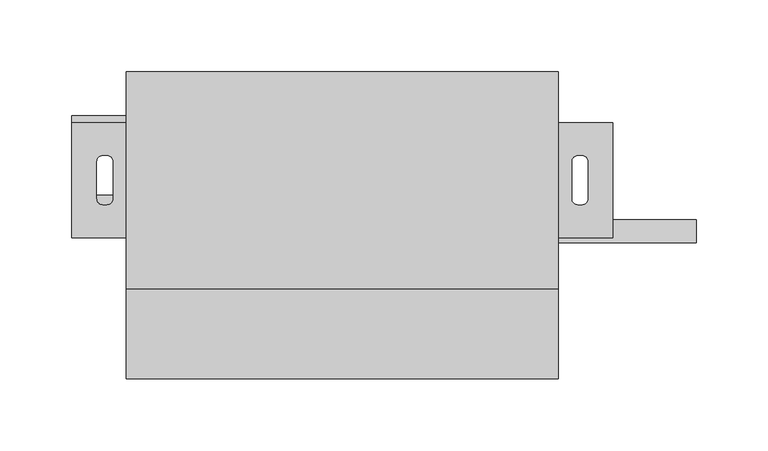
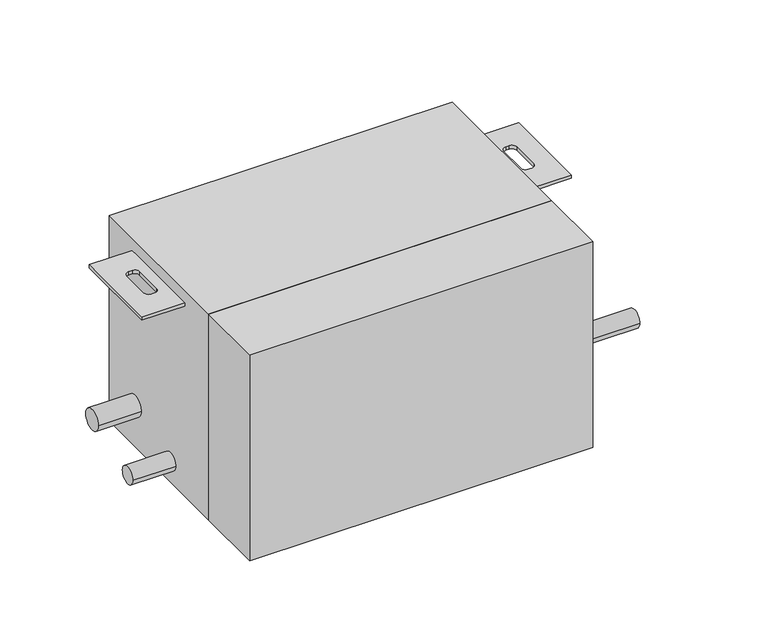
"""IFC4 building model written with IfcOpenShell, lengths in millimetres: proxy geometry."""

from ifc_helpers import new_model, si_unit, point, frame, frame_2d, origin, origin_with_axes, place, context, project, spatial, polyline, circle_curve, trimmed, segment, composite_curve, outline, extrude, source, transform, mapped, element, save


def mechanical_equipment_6e0e43d4(model_context):
    return source(origin(), model_context, "Body", "SweptSolid", [
        extrude(outline(polyline([(301.0, 75.5), (301.0, -75.5), (0.0, -75.5), (0.0, 75.5), (301.0, 75.5)])), origin_with_axes(), (0.0, 0.0, 1.0), 191.0),
        extrude(outline(polyline([(301.0, 40.0), (339.0, 40.0), (339.0, -40.0), (301.0, -40.0), (301.0, 40.0)]), holes=[composite_curve([segment(polyline([(317.5, 17.0), (314.5, 17.0)]), True, "CONTINUOUS"), segment(trimmed(circle_curve(frame_2d((314.5, 13.0)), 4.0), [point((314.5, 17.0))], [point((310.5, 13.0))], True, "CARTESIAN"), True, "CONTINUOUS"), segment(polyline([(310.5, 13.0), (310.5, -13.0)]), True, "CONTINUOUS"), segment(trimmed(circle_curve(frame_2d((314.5, -13.0)), 4.0), [point((310.5, -13.0))], [point((314.5, -17.0))], True, "CARTESIAN"), True, "CONTINUOUS"), segment(polyline([(314.5, -17.0), (317.5, -17.0)]), True, "CONTINUOUS"), segment(trimmed(circle_curve(frame_2d((317.5, -13.0)), 4.0), [point((317.5, -17.0))], [point((321.5, -13.0))], True, "CARTESIAN"), True, "CONTINUOUS"), segment(polyline([(321.5, -13.0), (321.5, 13.0)]), True, "CONTINUOUS"), segment(trimmed(circle_curve(frame_2d((317.5, 13.0)), 4.0), [point((321.5, 13.0))], [point((317.5, 17.0))], True, "CARTESIAN"), True, "CONTINUOUS")], self_intersect=False)]), frame((0.0, 0.0, 177.0), z_axis=(0.0, 0.0, 1.0), x_axis=(1.0, 0.0, 0.0)), (0.0, 0.0, 1.0), 3.0),
        extrude(outline(polyline([(-38.0, 40.0), (0.0, 40.0), (0.0, -40.0), (-38.0, -40.0), (-38.0, 40.0)]), holes=[composite_curve([segment(trimmed(circle_curve(frame_2d((-16.5, 13.0)), 4.0), [point((-16.5, 17.0))], [point((-20.5, 13.0))], True, "CARTESIAN"), True, "CONTINUOUS"), segment(polyline([(-20.5, 13.0), (-20.5, -13.0)]), True, "CONTINUOUS"), segment(trimmed(circle_curve(frame_2d((-16.5, -13.0)), 4.0), [point((-20.5, -13.0))], [point((-16.5, -17.0))], True, "CARTESIAN"), True, "CONTINUOUS"), segment(polyline([(-16.5, -17.0), (-13.5, -17.0)]), True, "CONTINUOUS"), segment(trimmed(circle_curve(frame_2d((-13.5, -13.0)), 4.0), [point((-13.5, -17.0))], [point((-9.5, -13.0))], True, "CARTESIAN"), True, "CONTINUOUS"), segment(polyline([(-9.5, -13.0), (-9.5, 13.0)]), True, "CONTINUOUS"), segment(trimmed(circle_curve(frame_2d((-13.5, 13.0)), 4.0), [point((-9.5, 13.0))], [point((-13.5, 17.0))], True, "CARTESIAN"), True, "CONTINUOUS"), segment(polyline([(-13.5, 17.0), (-16.5, 17.0)]), True, "CONTINUOUS")], self_intersect=False)]), frame((0.0, 0.0, 177.0), z_axis=(0.0, 0.0, 1.0), x_axis=(1.0, 0.0, 0.0)), (0.0, 0.0, 1.0), 3.0),
        extrude(outline(composite_curve([segment(trimmed(circle_curve(frame_2d((35.5, 39.0)), 9.525), [point((25.975, 39.0))], [point((45.025, 39.0))], False, "CARTESIAN"), True, "CONTINUOUS"), segment(trimmed(circle_curve(frame_2d((35.5, 39.0)), 9.525), [point((45.025, 39.0))], [point((25.975, 39.0))], False, "CARTESIAN"), True, "CONTINUOUS")], self_intersect=False)), frame((-38.0, 0.0, 0.0), z_axis=(1.0, 0.0, 0.0), x_axis=(0.0, 1.0, 0.0)), (0.0, 0.0, 1.0), 38.0),
        extrude(outline(composite_curve([segment(trimmed(circle_curve(frame_2d((-18.5, 20.0)), 7.94), [point((-26.44, 20.0))], [point((-10.56, 20.0))], False, "CARTESIAN"), True, "CONTINUOUS"), segment(trimmed(circle_curve(frame_2d((-18.5, 20.0)), 7.94), [point((-10.56, 20.0))], [point((-26.44, 20.0))], False, "CARTESIAN"), True, "CONTINUOUS")], self_intersect=False)), frame((-38.0, 0.0, 0.0), z_axis=(1.0, 0.0, 0.0), x_axis=(0.0, 1.0, 0.0)), (0.0, 0.0, 1.0), 38.0),
        extrude(outline(composite_curve([segment(trimmed(circle_curve(frame_2d((-35.5, 24.0)), 7.94), [point((-43.44, 24.0))], [point((-27.56, 24.0))], False, "CARTESIAN"), True, "CONTINUOUS"), segment(trimmed(circle_curve(frame_2d((-35.5, 24.0)), 7.94), [point((-27.56, 24.0))], [point((-43.44, 24.0))], False, "CARTESIAN"), True, "CONTINUOUS")], self_intersect=False)), frame((301.0, 0.0, 0.0), z_axis=(1.0, 0.0, 0.0), x_axis=(0.0, 1.0, 0.0)), (0.0, 0.0, 1.0), 96.0),
        extrude(outline(polyline([(301.0, -138.5), (0.0, -138.5), (0.0, -75.5), (301.0, -75.5), (301.0, -138.5)])), origin_with_axes(), (0.0, 0.0, 1.0), 191.0),
    ])


if __name__ == "__main__":
    model = new_model("IFC4")
    model_context = context("Model", 3, world=origin())
    ifc_project = project(units=[si_unit("LENGTHUNIT", "METRE", prefix="MILLI")], contexts=[model_context])
    site = spatial("IfcSite", under=ifc_project)
    building = spatial("IfcBuilding", under=site)
    placement = place(None, origin())
    mechanical_equipment_shape = mechanical_equipment_6e0e43d4(model_context)
    element("IfcBuildingElementProxy", 1, Name="Mechanical Equipment", at=placement, inside=building, context=model_context, shape_type="MappedRepresentation", body=[
        mapped(mechanical_equipment_shape, transform((0.0, 0.0, 0.0), x_axis=(1.0, 0.0, 0.0), y_axis=(0.0, 1.0, 0.0), z_axis=(0.0, 0.0, 1.0))),
    ])
    save(model, "model.ifc")
